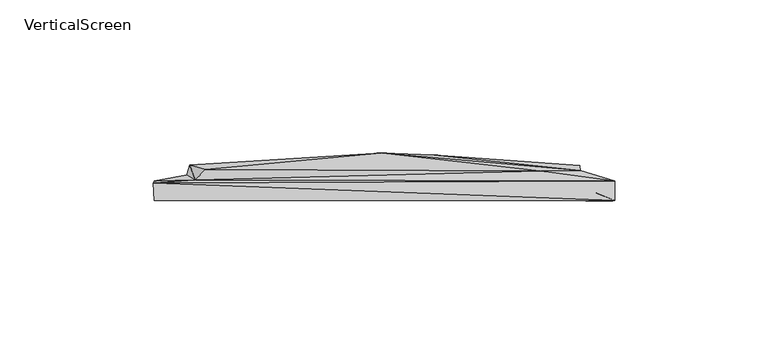
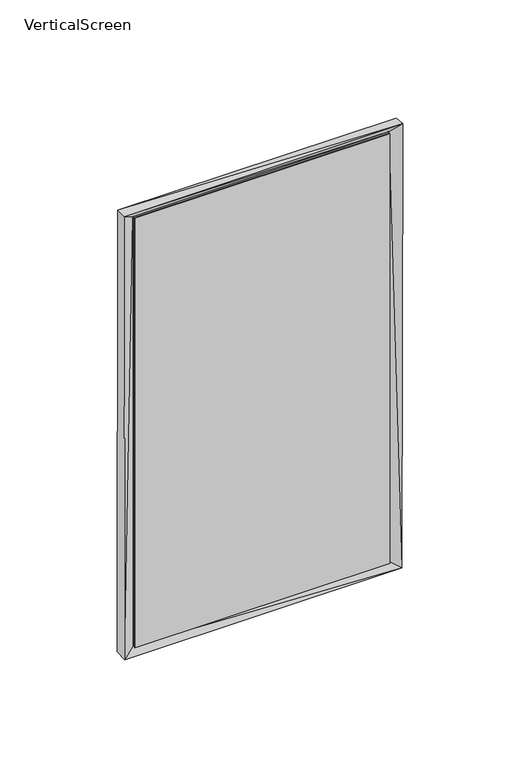
"""IFC4 building model written with IfcOpenShell, lengths in millimetres: furniture geometry, VerticalScreen."""

from ifc_helpers import new_model, si_unit, origin, place, context, project, spatial, triangles, source, transform, mapped, element, save


def verticalscreen_e6ca9c21(model_context):
    return source(origin(), model_context, "Body", "Tessellation", [
        triangles([(68.7857269, -0.3322685, 9.2791506), (68.7857133, -0.3323088, 254.2401501), (68.7857269, -0.9475499, 9.2791506), (68.7857133, -0.9475902, 254.2401501), (-68.8044122, -0.9475602, 254.2401501), (-68.8044122, -0.3322788, 254.2401501), (-68.8043985, -0.3322385, 9.2791433), (-68.8043985, -0.9475199, 9.2791421)], [[1, 2, 3], [3, 2, 4], [5, 4, 2], [5, 2, 6], [7, 1, 3], [7, 3, 8], [7, 6, 1], [7, 8, 5], [7, 5, 6], [8, 3, 4], [8, 4, 5], [1, 6, 2]]),
        triangles([(-75.3458007, 3.8190006, 258.1703426), (75.1294258, 4.3727215, 257.8011791), (-61.6250221, 4.741923, 241.1270333), (-75.0381569, -1.9646451, 257.985779), (75.1294258, -1.9031496, 258.477991), (-68.9468681, 0.5580083, 254.3555863), (69.038137, 0.4349218, 254.4171196), (50.9833978, 7.7567764, 245.064838), (-58.4870823, 8.12597, 241.4961968), (-75.0996675, 4.4343235, 5.7381837), (-74.6689752, -1.9646033, 4.9383165), (-56.3335845, 6.8954429, 18.2284), (42.7386476, 7.1415341, 16.9978417), (74.8833198, 4.1266501, 5.7997204), (-64.3937757, 6.4647461, 28.8463747), (74.4526321, -2.0261642, 5.2459666), (-68.9468544, 0.6195765, 9.1837599), (68.9766173, 0.6195465, 9.1837684), (-19.116602, 12.1868458, 73.3048324), (63.2545057, 6.5262465, 25.0580317), (16.1314872, 12.9867005, 93.6442568), (63.8082555, 9.5411123, 112.4454802), (63.9312994, 7.8183029, 231.0628221), (-63.4708533, 9.6641914, 133.4001695), (-0.8157521, 13.5404469, 161.7382563)], [[1, 2, 3], [1, 4, 5], [1, 5, 2], [4, 6, 7], [4, 7, 5], [3, 2, 8], [3, 8, 9], [10, 11, 1], [10, 12, 13], [10, 13, 14], [10, 15, 12], [10, 1, 3], [10, 3, 15], [10, 14, 11], [11, 4, 1], [11, 14, 16], [11, 17, 6], [11, 16, 17], [11, 6, 4], [17, 18, 7], [17, 16, 18], [17, 7, 6], [12, 15, 19], [12, 19, 13], [13, 20, 14], [13, 19, 21], [13, 21, 20], [20, 22, 23], [20, 21, 22], [20, 23, 2], [20, 2, 14], [18, 16, 7], [16, 5, 7], [16, 14, 5], [14, 2, 5], [15, 3, 24], [15, 24, 19], [19, 24, 25], [19, 25, 21], [21, 25, 23], [21, 23, 22], [24, 9, 25], [24, 3, 9], [25, 9, 8], [25, 8, 23], [23, 8, 2]]),
    ])


if __name__ == "__main__":
    model = new_model("IFC4")
    model_context = context("Model", 3, world=origin())
    ifc_project = project(units=[si_unit("LENGTHUNIT", "METRE", prefix="MILLI")], contexts=[model_context])
    site = spatial("IfcSite", under=ifc_project)
    building = spatial("IfcBuilding", under=site)
    placement = place(None, origin())
    verticalscreen_shape = verticalscreen_e6ca9c21(model_context)
    element("IfcFurniture", 1, ObjectType="VerticalScreen", at=placement, inside=building, context=model_context, shape_type="MappedRepresentation", body=[
        mapped(verticalscreen_shape, transform((0.0, 0.0, 0.0), x_axis=(1.0, 0.0, 0.0), y_axis=(0.0, 1.0, 0.0), z_axis=(0.0, 0.0, 1.0))),
    ])
    save(model, "model.ifc")
